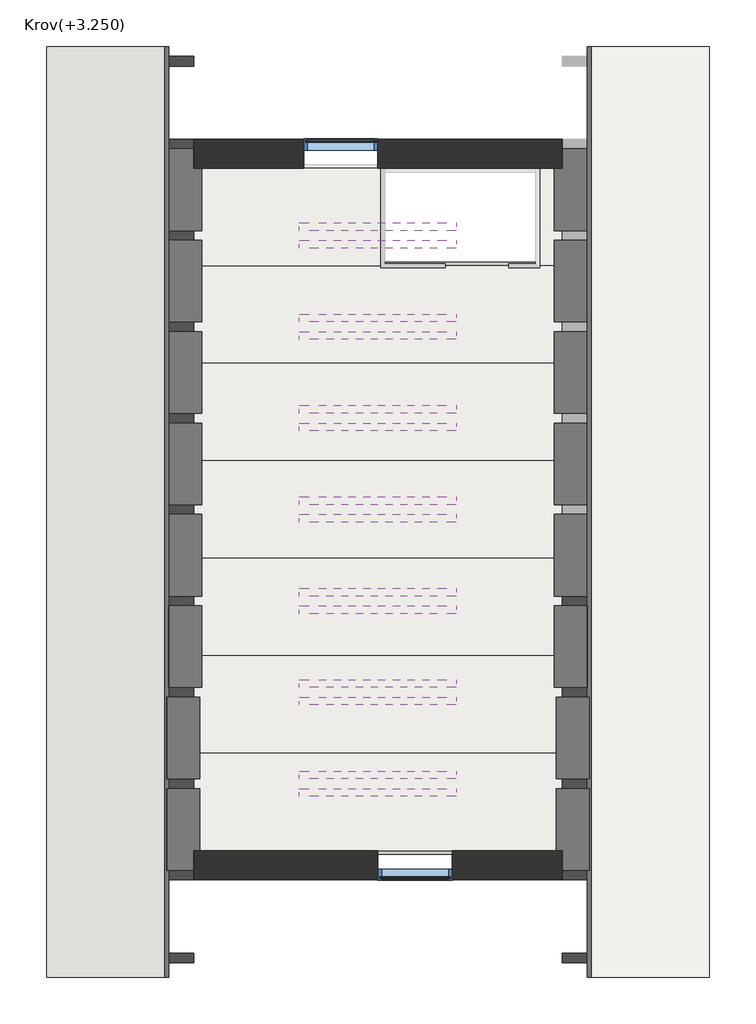
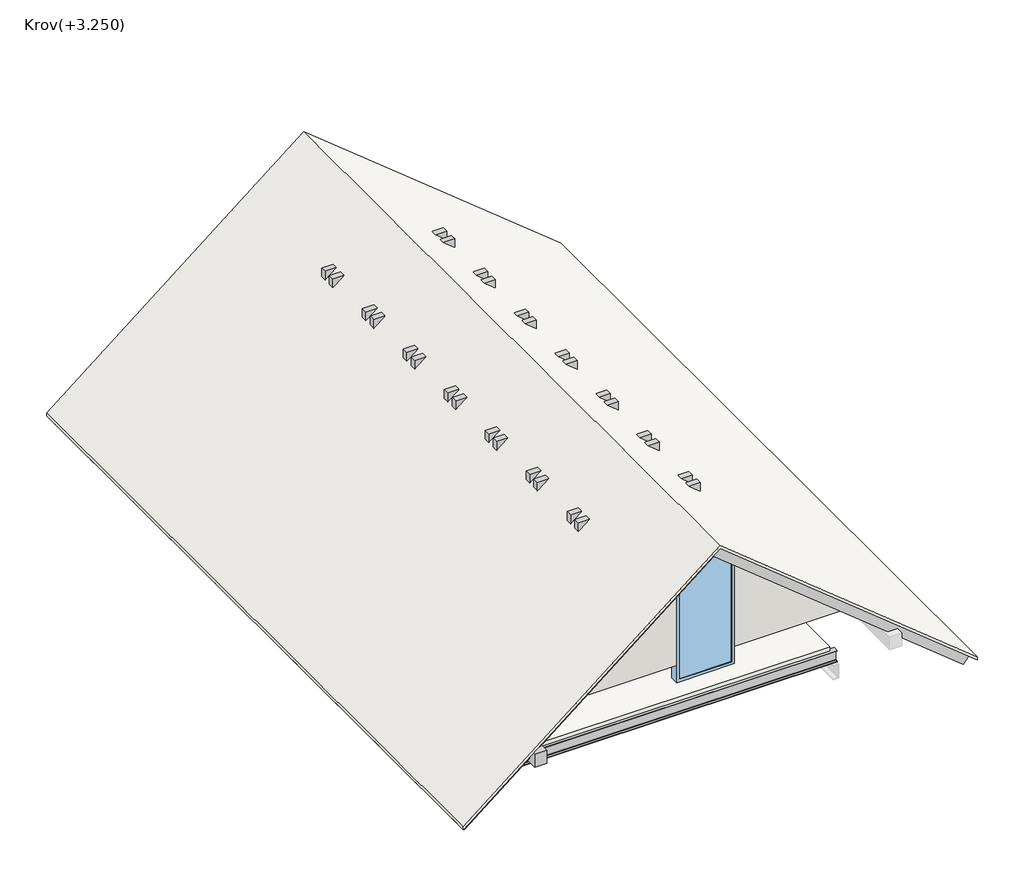
# One storey, part 1 of 2: 38 beams, 9 roofs, 8 slabs, 2 walls, 2 windows, 1 member.
"""IFC4 building model written with IfcOpenShell, lengths in millimetres."""

import ifcopenshell
import ifcopenshell.guid

model = None  # the IFC model being written
_history = None  # IfcOwnerHistory: only IFC2X3 demands one
_inside = {}  # id of a spatial element -> (the spatial element, [elements in it])
_under = {}  # id of a project, library or spatial element -> (it, [spatial elements below it])
_declared = {}  # id of a project -> (the project, [libraries it declares])
_typed = {}  # id of a type object -> (the type object, [elements of that type])
_made_of = {}  # id of a material, layer set ... -> (it, [elements and type objects made of it])


def new_model(schema):
    """Start an empty IFC model of exactly this schema.

    Asked for "IFC4X3", IfcOpenShell would pick the latest addendum, in which some entities
    have other attributes; the version numbers below select the first issue.
    IFC2X3 requires an IfcOwnerHistory on every rooted entity: one is made here for all.
    """
    global model, _history
    if schema == "IFC4X3":
        model = ifcopenshell.file(schema_version=(4, 3, 0, 0))
    else:
        model = ifcopenshell.file(schema=schema)
    _inside.clear()
    _under.clear()
    _declared.clear()
    _typed.clear()
    _made_of.clear()
    _history = None
    if model.schema == "IFC2X3":
        org = make("IfcOrganization", Name="unknown")
        user = make(
            "IfcPersonAndOrganization",
            ThePerson=make("IfcPerson", FamilyName="unknown"),
            TheOrganization=org,
        )
        app = make(
            "IfcApplication",
            ApplicationDeveloper=org,
            Version="unknown",
            ApplicationFullName="unknown",
            ApplicationIdentifier="unknown",
        )
        _history = make(
            "IfcOwnerHistory",
            OwningUser=user,
            OwningApplication=app,
            ChangeAction="ADDED",
            CreationDate=0,
        )
    return model


def make(cls, **values):
    """One entity of the class cls with the attributes given. An attribute that is None is left unset."""
    return model.create_entity(
        cls, **{name: value for name, value in values.items() if value is not None}
    )


def rooted(cls, **values):
    """An entity with a GlobalId (a new one), such as an element, a storey or a relation."""
    return make(cls, GlobalId=ifcopenshell.guid.new(), OwnerHistory=_history, **values)


def si_unit(unit_type, name, prefix=None):
    """IfcSIUnit, for example si_unit("LENGTHUNIT", "METRE", prefix="MILLI")."""
    return make("IfcSIUnit", UnitType=unit_type, Prefix=prefix, Name=name)


def assignment(units):
    """IfcUnitAssignment: the units of a project."""
    return None if units is None else make("IfcUnitAssignment", Units=units)


def point(xyz):
    """IfcCartesianPoint."""
    return None if xyz is None else make("IfcCartesianPoint", Coordinates=xyz)


def direction(xyz):
    """IfcDirection."""
    return None if xyz is None else make("IfcDirection", DirectionRatios=xyz)


def frame(location, z_axis=None, x_axis=None):
    """IfcAxis2Placement3D, a coordinate frame: its origin and axes. An axis left out is left unset."""
    return make(
        "IfcAxis2Placement3D",
        Location=point(location),
        Axis=direction(z_axis),
        RefDirection=direction(x_axis),
    )


def frame_2d(location, x_axis=None):
    """IfcAxis2Placement2D, a coordinate frame in the plane: its origin and x axis."""
    return make(
        "IfcAxis2Placement2D", Location=point(location), RefDirection=direction(x_axis)
    )


def origin():
    """The frame at (0, 0, 0) with its axes left unset."""
    return frame((0.0, 0.0, 0.0))


def place(relative_to, where):
    """IfcLocalPlacement: puts the frame where relative to a parent placement (None: the world)."""
    return make(
        "IfcLocalPlacement", PlacementRelTo=relative_to, RelativePlacement=where
    )


def context(
    kind, dimensions, precision=None, world=None, true_north=None, identifier=None
):
    """IfcGeometricRepresentationContext, for example the 3D "Model" context."""
    return make(
        "IfcGeometricRepresentationContext",
        ContextIdentifier=identifier,
        ContextType=kind,
        CoordinateSpaceDimension=dimensions,
        Precision=precision,
        WorldCoordinateSystem=world,
        TrueNorth=true_north,
    )


def project(units=None, contexts=None):
    """IfcProject with its units and contexts."""
    return rooted(
        "IfcProject",
        Name="project",
        RepresentationContexts=contexts,
        UnitsInContext=assignment(units),
    )


def spatial(cls, under=None, at=None, **own):
    """A site, building, storey or space (cls), placed at a placement, below another one or the project."""
    s = rooted(cls, ObjectPlacement=at, **own)
    if under is not None:
        _under.setdefault(under.id(), (under, []))[1].append(s)
    return s


def polyline(points):
    """IfcPolyline through the points."""
    return make("IfcPolyline", Points=[point(p) for p in points])


def circle_curve(where, radius):
    """IfcCircle in the frame where."""
    return make("IfcCircle", Position=where, Radius=radius)


def trimmed(basis, trim1, trim2, sense, master):
    """IfcTrimmedCurve: the piece of a basis curve between two trims."""
    return make(
        "IfcTrimmedCurve",
        BasisCurve=basis,
        Trim1=trim1,
        Trim2=trim2,
        SenseAgreement=sense,
        MasterRepresentation=master,
    )


def segment(curve, same_sense, transition):
    """IfcCompositeCurveSegment."""
    return make(
        "IfcCompositeCurveSegment",
        Transition=transition,
        SameSense=same_sense,
        ParentCurve=curve,
    )


def composite_curve(segments, self_intersect=None):
    """IfcCompositeCurve: segments joined end to end."""
    return make("IfcCompositeCurve", Segments=segments, SelfIntersect=self_intersect)


def outline(outer, holes=None, kind="AREA"):
    """IfcArbitraryClosedProfileDef: a profile drawn as a closed curve; with holes, ...WithVoids."""
    if holes is None:
        return make("IfcArbitraryClosedProfileDef", ProfileType=kind, OuterCurve=outer)
    return make(
        "IfcArbitraryProfileDefWithVoids",
        ProfileType=kind,
        OuterCurve=outer,
        InnerCurves=holes,
    )


def extrude(swept, where, along, depth):
    """IfcExtrudedAreaSolid: the profile swept, set in the frame where, extruded along a direction by depth."""
    return make(
        "IfcExtrudedAreaSolid",
        SweptArea=swept,
        Position=where,
        ExtrudedDirection=direction(along),
        Depth=depth,
    )


def faces_of(points, faces, orient=None, outer=None):
    """IfcFace entities. A face is a list of loops; a loop is a list of indices into points, from 0.

    orient and outer hold one flag for each loop. By default every Orientation is true, the
    first loop of a face is its IfcFaceOuterBound and the others are IfcFaceBound.
    """
    made = []
    for i, loops in enumerate(faces):
        bounds = []
        for j, loop in enumerate(loops):
            is_outer = j == 0 if outer is None else outer[i][j]
            bounds.append(
                make(
                    "IfcFaceOuterBound" if is_outer else "IfcFaceBound",
                    Bound=make("IfcPolyLoop", Polygon=[points[k] for k in loop]),
                    Orientation=True if orient is None else orient[i][j],
                )
            )
        made.append(make("IfcFace", Bounds=bounds))
    return made


def faceted_brep(points, faces, orient=None, outer=None, voids=None):
    """IfcFacetedBrep: a solid bounded by flat faces; with voids (closed shells), ...WithVoids."""
    shared = [point(p) for p in points]
    hull = make("IfcClosedShell", CfsFaces=faces_of(shared, faces, orient, outer))
    if voids is None:
        return make("IfcFacetedBrep", Outer=hull)
    return make(
        "IfcFacetedBrepWithVoids",
        Outer=hull,
        Voids=[
            make(cls, CfsFaces=faces_of(shared, fs, o, b)) for cls, fs, o, b in voids
        ],
    )


def shape(context_of_items, identifier, shape_type, items):
    """IfcShapeRepresentation: the items that make up one representation, for example the "Body"."""
    return make(
        "IfcShapeRepresentation",
        ContextOfItems=context_of_items,
        RepresentationIdentifier=identifier,
        RepresentationType=shape_type,
        Items=items,
    )


def source(mapping_origin, context_of_items, identifier, shape_type, items):
    """IfcRepresentationMap: a shape defined once, which mapped items show again and again."""
    return make(
        "IfcRepresentationMap",
        MappingOrigin=mapping_origin,
        MappedRepresentation=shape(context_of_items, identifier, shape_type, items),
    )


def transform(
    local_origin,
    x_axis=None,
    y_axis=None,
    z_axis=None,
    scale=None,
    scale2=None,
    scale3=None,
    uniform=True,
):
    """IfcCartesianTransformationOperator3D, or its non-uniform kind. x_axis, y_axis, z_axis: its Axis1, 2, 3."""
    if uniform:
        return make(
            "IfcCartesianTransformationOperator3D",
            Axis1=direction(x_axis),
            Axis2=direction(y_axis),
            LocalOrigin=point(local_origin),
            Scale=scale,
            Axis3=direction(z_axis),
        )
    return make(
        "IfcCartesianTransformationOperator3DnonUniform",
        Axis1=direction(x_axis),
        Axis2=direction(y_axis),
        LocalOrigin=point(local_origin),
        Scale=scale,
        Axis3=direction(z_axis),
        Scale2=scale2,
        Scale3=scale3,
    )


def mapped(mapping_source, mapping_target):
    """IfcMappedItem: shows the shape of a source again, moved by a transform."""
    return make(
        "IfcMappedItem", MappingSource=mapping_source, MappingTarget=mapping_target
    )


def made_of(thing, what):
    """Note that an element or type object is made of a material, layer set ...; save() writes the relation."""
    if what is not None:
        _made_of.setdefault(what.id(), (what, []))[1].append(thing)
    return thing


def element(
    cls,
    number,
    at=None,
    inside=None,
    cuts=None,
    type_object=None,
    material=None,
    context=None,
    identifier="Body",
    shape_type=None,
    held_by="IfcProductDefinitionShape",
    body=None,
    shapes=None,
    **own,
):
    """One element of the class cls, such as IfcWall. Its Tag is "e" and its number.

    at: its placement. inside: the storey or other place that contains it. cuts: it is an
    opening in that element (IfcRelVoidsElement). A single representation is given by context,
    identifier, shape_type and body (its items); several are given by shapes. held_by: the class
    of the entity that holds the representations. save() writes the other relations.
    """
    e = rooted(cls, Tag="e%d" % number, ObjectPlacement=at, **own)
    if body is not None:
        shapes = [shape(context, identifier, shape_type, body)]
    if shapes is not None:
        e.Representation = make(held_by, Representations=shapes)
    if inside is not None:
        _inside.setdefault(inside.id(), (inside, []))[1].append(e)
    if cuts is not None:
        rooted(
            "IfcRelVoidsElement", RelatingBuildingElement=cuts, RelatedOpeningElement=e
        )
    if type_object is not None:
        _typed.setdefault(type_object.id(), (type_object, []))[1].append(e)
    return made_of(e, material)


def aggregate(whole, parts):
    """IfcRelAggregates: a whole, such as a stair, and the parts it consists of."""
    return rooted("IfcRelAggregates", RelatingObject=whole, RelatedObjects=parts)


def save(model, path):
    """Write the relations noted so far, then the file.

    IfcRelAggregates (storeys below a building ...), IfcRelContainedInSpatialStructure (elements
    in a storey), IfcRelDefinesByType, IfcRelAssociatesMaterial and IfcRelDeclares: one each for
    every whole, place, type object, material and project.
    """
    for whole, parts in _under.values():
        aggregate(whole, parts)
    for where, things in _inside.values():
        rooted(
            "IfcRelContainedInSpatialStructure",
            RelatedElements=things,
            RelatingStructure=where,
        )
    for kind, things in _typed.values():
        rooted("IfcRelDefinesByType", RelatedObjects=things, RelatingType=kind)
    for what, things in _made_of.values():
        rooted("IfcRelAssociatesMaterial", RelatedObjects=things, RelatingMaterial=what)
    for by, libraries in _declared.values():
        rooted("IfcRelDeclares", RelatingContext=by, RelatedDefinitions=libraries)
    model.write(path)


def beam_160x180mm_fb8ce440(model_context):
    return source(origin(), model_context, "Body", "SweptSolid", [
        extrude(outline(polyline([(4750.0, 80.0), (4750.0, -80.0), (-4750.0, -80.0), (-4750.0, 80.0), (4750.0, 80.0)])), frame((0.0, 0.0, -90.0), z_axis=(0.0, 0.0, 1.0), x_axis=(1.0, 0.0, 0.0)), (0.0, 0.0, 1.0), 180.0),
    ])


def i_i160_f0ce82e1(model_context):
    return source(origin(), model_context, "Body", "SweptSolid", [
        extrude(outline(composite_curve([segment(polyline([(-37.0, 80.0), (37.0, 80.0), (37.0, 76.3951649)]), True, "CONTINUOUS"), segment(trimmed(circle_curve(frame_2d((33.2, 76.3951649)), 3.8), [point((37.0, 76.3951649))], [point((33.7268874, 72.6318698))], False, "CARTESIAN"), True, "CONTINUOUS"), segment(polyline([(33.7268874, 72.6318698), (8.5764762, 69.1106379)]), True, "CONTINUOUS"), segment(trimmed(circle_curve(frame_2d((9.45, 62.8714908)), 6.3), [point((8.5764762, 69.1106379))], [point((3.15, 62.8714908))], True, "CARTESIAN"), True, "CONTINUOUS"), segment(polyline([(3.15, 62.8714908), (3.15, -62.8714908)]), True, "CONTINUOUS"), segment(trimmed(circle_curve(frame_2d((9.45, -62.8714908)), 6.3), [point((3.15, -62.8714908))], [point((8.5764762, -69.1106379))], True, "CARTESIAN"), True, "CONTINUOUS"), segment(polyline([(8.5764762, -69.1106379), (33.7268874, -72.6318698)]), True, "CONTINUOUS"), segment(trimmed(circle_curve(frame_2d((33.2, -76.3951649)), 3.8), [point((33.7268874, -72.6318698))], [point((37.0, -76.3951649))], False, "CARTESIAN"), True, "CONTINUOUS"), segment(polyline([(37.0, -76.3951649), (37.0, -80.0), (-37.0, -80.0), (-37.0, -76.3951649)]), True, "CONTINUOUS"), segment(trimmed(circle_curve(frame_2d((-33.2, -76.3951649)), 3.8), [point((-37.0, -76.3951649))], [point((-33.7268874, -72.6318698))], False, "CARTESIAN"), True, "CONTINUOUS"), segment(polyline([(-33.7268874, -72.6318698), (-8.5764762, -69.1106379)]), True, "CONTINUOUS"), segment(trimmed(circle_curve(frame_2d((-9.45, -62.8714908)), 6.3), [point((-8.5764762, -69.1106379))], [point((-3.15, -62.8714908))], True, "CARTESIAN"), True, "CONTINUOUS"), segment(polyline([(-3.15, -62.8714908), (-3.15, 62.8714908)]), True, "CONTINUOUS"), segment(trimmed(circle_curve(frame_2d((-9.45, 62.8714908)), 6.3), [point((-3.15, 62.8714908))], [point((-8.5764762, 69.1106379))], True, "CARTESIAN"), True, "CONTINUOUS"), segment(polyline([(-8.5764762, 69.1106379), (-33.7268874, 72.6318698)]), True, "CONTINUOUS"), segment(trimmed(circle_curve(frame_2d((-33.2, 76.3951649)), 3.8), [point((-33.7268874, 72.6318698))], [point((-37.0, 76.3951649))], False, "CARTESIAN"), True, "CONTINUOUS"), segment(polyline([(-37.0, 76.3951649), (-37.0, 80.0)]), True, "CONTINUOUS")], self_intersect=False)), frame((-2875.0, 0.0, 0.0), z_axis=(1.0, 0.0, 0.0), x_axis=(0.0, 1.0, 0.0)), (0.0, 0.0, 1.0), 4550.0),
    ])


def i_i160_c2d888a8(model_context):
    return source(origin(), model_context, "Body", "SweptSolid", [
        extrude(outline(composite_curve([segment(polyline([(37.0, 80.0), (37.0, 76.3951649)]), True, "CONTINUOUS"), segment(trimmed(circle_curve(frame_2d((33.2, 76.3951649)), 3.8), [point((37.0, 76.3951649))], [point((33.7268874, 72.6318698))], False, "CARTESIAN"), True, "CONTINUOUS"), segment(polyline([(33.7268874, 72.6318698), (8.5764762, 69.1106379)]), True, "CONTINUOUS"), segment(trimmed(circle_curve(frame_2d((9.45, 62.8714908)), 6.3), [point((8.5764762, 69.1106379))], [point((3.15, 62.8714908))], True, "CARTESIAN"), True, "CONTINUOUS"), segment(polyline([(3.15, 62.8714908), (3.15, -62.8714908)]), True, "CONTINUOUS"), segment(trimmed(circle_curve(frame_2d((9.45, -62.8714908)), 6.3), [point((3.15, -62.8714908))], [point((8.5764762, -69.1106379))], True, "CARTESIAN"), True, "CONTINUOUS"), segment(polyline([(8.5764762, -69.1106379), (33.7268874, -72.6318698)]), True, "CONTINUOUS"), segment(trimmed(circle_curve(frame_2d((33.2, -76.3951649)), 3.8), [point((33.7268874, -72.6318698))], [point((37.0, -76.3951649))], False, "CARTESIAN"), True, "CONTINUOUS"), segment(polyline([(37.0, -76.3951649), (37.0, -80.0), (-37.0, -80.0), (-37.0, -76.3951649)]), True, "CONTINUOUS"), segment(trimmed(circle_curve(frame_2d((-33.2, -76.3951649)), 3.8), [point((-37.0, -76.3951649))], [point((-33.7268874, -72.6318698))], False, "CARTESIAN"), True, "CONTINUOUS"), segment(polyline([(-33.7268874, -72.6318698), (-8.5764762, -69.1106379)]), True, "CONTINUOUS"), segment(trimmed(circle_curve(frame_2d((-9.45, -62.8714908)), 6.3), [point((-8.5764762, -69.1106379))], [point((-3.15, -62.8714908))], True, "CARTESIAN"), True, "CONTINUOUS"), segment(polyline([(-3.15, -62.8714908), (-3.15, 62.8714908)]), True, "CONTINUOUS"), segment(trimmed(circle_curve(frame_2d((-9.45, 62.8714908)), 6.3), [point((-3.15, 62.8714908))], [point((-8.5764762, 69.1106379))], True, "CARTESIAN"), True, "CONTINUOUS"), segment(polyline([(-8.5764762, 69.1106379), (-33.7268874, 72.6318698)]), True, "CONTINUOUS"), segment(trimmed(circle_curve(frame_2d((-33.2, 76.3951649)), 3.8), [point((-33.7268874, 72.6318698))], [point((-37.0, 76.3951649))], False, "CARTESIAN"), True, "CONTINUOUS"), segment(polyline([(-37.0, 76.3951649), (-37.0, 80.0), (37.0, 80.0)]), True, "CONTINUOUS")], self_intersect=False)), frame((-2875.0, 0.0, 0.0), z_axis=(1.0, 0.0, 0.0), x_axis=(0.0, 1.0, 0.0)), (0.0, 0.0, 1.0), 4550.0),
    ])


def u_u200_d5037ab1(model_context):
    return source(origin(), model_context, "Body", "SweptSolid", [
        extrude(outline(composite_curve([segment(polyline([(20.1, 100.0), (20.1, -100.0), (-54.9, -100.0), (-54.9, -97.0369668)]), True, "CONTINUOUS"), segment(trimmed(circle_curve(frame_2d((-48.9, -97.0369668)), 6.0), [point((-54.9, -97.0369668))], [point((-49.378062, -91.0560424))], False, "CARTESIAN"), True, "CONTINUOUS"), segment(polyline([(-49.378062, -91.0560424), (1.0162855, -87.0279656)]), True, "CONTINUOUS"), segment(trimmed(circle_curve(frame_2d((0.1, -75.5645272)), 11.5), [point((1.0162855, -87.0279656))], [point((11.6, -75.5645272))], True, "CARTESIAN"), True, "CONTINUOUS"), segment(polyline([(11.6, -75.5645272), (11.6, 75.5645272)]), True, "CONTINUOUS"), segment(trimmed(circle_curve(frame_2d((0.1, 75.5645272)), 11.5), [point((11.6, 75.5645272))], [point((1.0162855, 87.0279656))], True, "CARTESIAN"), True, "CONTINUOUS"), segment(polyline([(1.0162855, 87.0279656), (-49.378062, 91.0560424)]), True, "CONTINUOUS"), segment(trimmed(circle_curve(frame_2d((-48.9, 97.0369668)), 6.0), [point((-49.378062, 91.0560424))], [point((-54.9, 97.0369668))], False, "CARTESIAN"), True, "CONTINUOUS"), segment(polyline([(-54.9, 97.0369668), (-54.9, 100.0), (20.1, 100.0)]), True, "CONTINUOUS")], self_intersect=False)), frame((-3575.0, 0.0, 0.0), z_axis=(1.0, 0.0, 0.0), x_axis=(0.0, 1.0, 0.0)), (0.0, 0.0, 1.0), 7150.0),
    ])


def window_d32373dc(model_context):
    return source(origin(), model_context, "Body", "SolidModel", [
        faceted_brep([(-457.15, -38.08125, 157.45), (304.75, -38.08125, 157.45), (304.75, -152.3622, 157.45), (-457.15, -152.3622, 157.45), (-420.6248, -111.10625, 193.9752), (268.2248, -111.10625, 193.9752), (268.2248, -38.08125, 193.9752), (-420.6248, -38.08125, 193.9752), (-442.8498, -141.2878, 171.7502), (290.4498, -141.2878, 171.7502), (290.4498, -111.10625, 171.7502), (-442.8498, -111.10625, 171.7502), (-420.6248, -152.3622, 193.9752), (268.2248, -152.3622, 193.9752), (268.2248, -141.2878, 193.9752), (-420.6248, -141.2878, 193.9752), (304.75, -38.08125, 1822.305752), (304.75, -152.3622, 1822.305752), (268.2248, -111.10625, 1804.8684723), (268.2248, -38.08125, 1804.8684723), (290.4498, -141.2878, 1815.4787781), (290.4498, -111.10625, 1815.4787781), (268.2248, -152.3622, 1804.8684723), (268.2248, -141.2878, 1804.8684723), (-457.15, -38.08125, 2438.4), (-457.15, -152.3622, 2438.4), (-420.6248, -111.10625, 2361.8920664), (-420.6248, -38.08125, 2361.8920664), (-442.8498, -141.2878, 2408.4459203), (-442.8498, -111.10625, 2408.4459203), (-420.6248, -152.3622, 2361.8920664), (-420.6248, -141.2878, 2361.8920664)], [[[0, 1, 2, 3]], [[4, 5, 6, 7]], [[8, 9, 10, 11]], [[12, 13, 14, 15]], [[1, 16, 17, 2]], [[5, 18, 19, 6]], [[9, 20, 21, 10]], [[13, 22, 23, 14]], [[24, 0, 3, 25]], [[26, 4, 7, 27]], [[28, 8, 11, 29]], [[30, 12, 15, 31]], [[16, 24, 25, 17]], [[16, 1, 0, 24], [27, 7, 6, 19]], [[18, 26, 27, 19]], [[29, 11, 10, 21], [18, 5, 4, 26]], [[20, 28, 29, 21]], [[20, 9, 8, 28], [31, 15, 14, 23]], [[22, 30, 31, 23]], [[25, 3, 2, 17], [22, 13, 12, 30]]]),
        extrude(outline(polyline([(1813.9690832, 287.2875), (2401.8219719, -439.6875), (174.9125, -439.6875), (174.9125, 287.2875), (1813.9690832, 287.2875)])), frame((0.0, -123.03155, 0.0), z_axis=(0.0, 1.0, 0.0), x_axis=(0.0, 0.0, 1.0)), (0.0, 0.0, 1.0), 5.55625),
        extrude(outline(polyline([(1813.9690832, 287.2875), (2401.8219719, -439.6875), (174.9125, -439.6875), (174.9125, 287.2875), (1813.9690832, 287.2875)])), frame((0.0, -141.2878, 0.0), z_axis=(0.0, 1.0, 0.0), x_axis=(0.0, 0.0, 1.0)), (0.0, 0.0, 1.0), 5.55625),
    ])


model = new_model("IFC4")

# Units and contexts
model_context = context("Model", 3, world=origin())
ifc_project = project(units=[si_unit("LENGTHUNIT", "METRE", prefix="MILLI")], contexts=[model_context])

# Site, building, storey
site = spatial("IfcSite", under=ifc_project)
building = spatial("IfcBuilding", under=site)
storey = spatial("IfcBuildingStorey", under=building, Name="Krov(+3.250)", Elevation=3020.0)

# Beams
placement = place(None, origin())
element("IfcBeam", 1, ObjectType="100x160mm", at=placement, inside=storey, context=model_context, shape_type="SweptSolid", body=[
    extrude(outline(polyline([(5750.0447397, -1132.3557592), (5955.8, -1132.3557592), (3206.8, -4532.3557592), (3082.3803377, -4431.7588029), (5750.0447397, -1132.3557592)])), frame((0.0, -273.9733986, 0.0), z_axis=(0.0, 1.0, 0.0), x_axis=(0.0, 0.0, 1.0)), (0.0, 0.0, 1.0), 100.0),
])
element("IfcBeam", 2, ObjectType="100x160mm", at=placement, inside=storey, context=model_context, shape_type="SweptSolid", body=[
    extrude(outline(polyline([(5750.0447397, -1132.3557592), (3082.3803377, 2167.0472844), (3206.8, 2267.6442408), (5955.8, -1132.3557592), (5750.0447397, -1132.3557592)])), frame((0.0, -273.9733986, 0.0), z_axis=(0.0, 1.0, 0.0), x_axis=(0.0, 0.0, 1.0)), (0.0, 0.0, 1.0), 100.0),
])
element("IfcBeam", 3, ObjectType="100x160mm", at=placement, inside=storey, context=model_context, shape_type="SweptSolid", body=[
    extrude(outline(polyline([(5750.0447397, -1132.3557592), (5955.8, -1132.3557592), (3206.8, -4532.3557592), (3082.3803377, -4431.7588029), (5750.0447397, -1132.3557592)])), frame((0.0, 663.5266014, 0.0), z_axis=(0.0, 1.0, 0.0), x_axis=(0.0, 0.0, 1.0)), (0.0, 0.0, 1.0), 100.0),
])
element("IfcBeam", 4, ObjectType="100x160mm", at=placement, inside=storey, context=model_context, shape_type="SweptSolid", body=[
    extrude(outline(polyline([(5750.0447397, -1132.3557592), (5955.8, -1132.3557592), (3206.8, -4532.3557592), (3082.3803377, -4431.7588029), (5750.0447397, -1132.3557592)])), frame((0.0, 1601.0266014, 0.0), z_axis=(0.0, 1.0, 0.0), x_axis=(0.0, 0.0, 1.0)), (0.0, 0.0, 1.0), 100.0),
])
element("IfcBeam", 5, ObjectType="100x160mm", at=placement, inside=storey, context=model_context, shape_type="SweptSolid", body=[
    extrude(outline(polyline([(5750.0447397, -1132.3557592), (5955.8, -1132.3557592), (3206.8, -4532.3557592), (3082.3803377, -4431.7588029), (5750.0447397, -1132.3557592)])), frame((0.0, 2538.5266014, 0.0), z_axis=(0.0, 1.0, 0.0), x_axis=(0.0, 0.0, 1.0)), (0.0, 0.0, 1.0), 100.0),
])
element("IfcBeam", 6, ObjectType="100x160mm", at=placement, inside=storey, context=model_context, shape_type="SweptSolid", body=[
    extrude(outline(polyline([(5750.0447397, -1132.3557592), (5955.8, -1132.3557592), (3206.8, -4532.3557592), (3082.3803377, -4431.7588029), (5750.0447397, -1132.3557592)])), frame((0.0, 3476.0266014, 0.0), z_axis=(0.0, 1.0, 0.0), x_axis=(0.0, 0.0, 1.0)), (0.0, 0.0, 1.0), 100.0),
])
element("IfcBeam", 7, ObjectType="100x160mm", at=placement, inside=storey, context=model_context, shape_type="SweptSolid", body=[
    extrude(outline(polyline([(5750.0447397, -1132.3557592), (5955.8, -1132.3557592), (3206.8, -4532.3557592), (3082.3803377, -4431.7588029), (5750.0447397, -1132.3557592)])), frame((0.0, 4413.5266014, 0.0), z_axis=(0.0, 1.0, 0.0), x_axis=(0.0, 0.0, 1.0)), (0.0, 0.0, 1.0), 100.0),
])
element("IfcBeam", 8, ObjectType="100x160mm", at=placement, inside=storey, context=model_context, shape_type="SweptSolid", body=[
    extrude(outline(polyline([(5750.0447397, -1132.3557592), (5955.8, -1132.3557592), (3206.8, -4532.3557592), (3082.3803377, -4431.7588029), (5750.0447397, -1132.3557592)])), frame((0.0, 5263.5266014, 0.0), z_axis=(0.0, 1.0, 0.0), x_axis=(0.0, 0.0, 1.0)), (0.0, 0.0, 1.0), 100.0),
])
element("IfcBeam", 9, ObjectType="100x160mm", at=placement, inside=storey, context=model_context, shape_type="SweptSolid", body=[
    extrude(outline(polyline([(5750.0447397, -1132.3557592), (5955.8, -1132.3557592), (3206.8, -4532.3557592), (3082.3803377, -4431.7588029), (5750.0447397, -1132.3557592)])), frame((0.0, -1211.4733986, 0.0), z_axis=(0.0, 1.0, 0.0), x_axis=(0.0, 0.0, 1.0)), (0.0, 0.0, 1.0), 100.0),
])
element("IfcBeam", 10, ObjectType="100x160mm", at=placement, inside=storey, context=model_context, shape_type="SweptSolid", body=[
    extrude(outline(polyline([(5750.0447397, -1132.3557592), (3082.3803377, 2167.0472844), (3206.8, 2267.6442408), (5955.8, -1132.3557592), (5750.0447397, -1132.3557592)])), frame((0.0, -1211.4733986, 0.0), z_axis=(0.0, 1.0, 0.0), x_axis=(0.0, 0.0, 1.0)), (0.0, 0.0, 1.0), 100.0),
])
element("IfcBeam", 11, ObjectType="100x160mm", at=placement, inside=storey, context=model_context, shape_type="SweptSolid", body=[
    extrude(outline(polyline([(5750.0447397, -1132.3557592), (5955.8, -1132.3557592), (3206.8, -4532.3557592), (3082.3803377, -4431.7588029), (5750.0447397, -1132.3557592)])), frame((0.0, -2148.9733986, 0.0), z_axis=(0.0, 1.0, 0.0), x_axis=(0.0, 0.0, 1.0)), (0.0, 0.0, 1.0), 100.0),
])
element("IfcBeam", 12, ObjectType="100x160mm", at=placement, inside=storey, context=model_context, shape_type="SweptSolid", body=[
    extrude(outline(polyline([(5750.0447397, -1132.3557592), (3082.3803377, 2167.0472844), (3206.8, 2267.6442408), (5955.8, -1132.3557592), (5750.0447397, -1132.3557592)])), frame((0.0, -2148.9733986, 0.0), z_axis=(0.0, 1.0, 0.0), x_axis=(0.0, 0.0, 1.0)), (0.0, 0.0, 1.0), 100.0),
])
element("IfcBeam", 13, ObjectType="100x160mm", at=placement, inside=storey, context=model_context, shape_type="SweptSolid", body=[
    extrude(outline(polyline([(5750.0447397, -1132.3557592), (5955.8, -1132.3557592), (3206.8, -4532.3557592), (3082.3803377, -4431.7588029), (5750.0447397, -1132.3557592)])), frame((0.0, -3086.4733986, 0.0), z_axis=(0.0, 1.0, 0.0), x_axis=(0.0, 0.0, 1.0)), (0.0, 0.0, 1.0), 100.0),
])
element("IfcBeam", 14, ObjectType="100x160mm", at=placement, inside=storey, context=model_context, shape_type="SweptSolid", body=[
    extrude(outline(polyline([(5750.0447397, -1132.3557592), (3082.3803377, 2167.0472844), (3206.8, 2267.6442408), (5955.8, -1132.3557592), (5750.0447397, -1132.3557592)])), frame((0.0, -3086.4733986, 0.0), z_axis=(0.0, 1.0, 0.0), x_axis=(0.0, 0.0, 1.0)), (0.0, 0.0, 1.0), 100.0),
])
element("IfcBeam", 15, ObjectType="100x160mm", at=placement, inside=storey, context=model_context, shape_type="SweptSolid", body=[
    extrude(outline(polyline([(5750.0447397, -1132.3557592), (5955.8, -1132.3557592), (3206.8, -4532.3557592), (3082.3803377, -4431.7588029), (5750.0447397, -1132.3557592)])), frame((0.0, -3936.4733986, 0.0), z_axis=(0.0, 1.0, 0.0), x_axis=(0.0, 0.0, 1.0)), (0.0, 0.0, 1.0), 100.0),
])
element("IfcBeam", 16, ObjectType="100x160mm", at=placement, inside=storey, context=model_context, shape_type="SweptSolid", body=[
    extrude(outline(polyline([(5750.0447397, -1132.3557592), (3082.3803377, 2167.0472844), (3206.8, 2267.6442408), (5955.8, -1132.3557592), (5750.0447397, -1132.3557592)])), frame((0.0, -3936.4733986, 0.0), z_axis=(0.0, 1.0, 0.0), x_axis=(0.0, 0.0, 1.0)), (0.0, 0.0, 1.0), 100.0),
])
beam_160x180mm_shape = beam_160x180mm_fb8ce440(model_context)
element("IfcBeam", 17, ObjectType="160x180mm", at=placement, inside=storey, context=model_context, shape_type="MappedRepresentation", body=[
    mapped(beam_160x180mm_shape, transform((-3482.3557592, 713.5266014, 3800.0), x_axis=(0.0, 1.0, 0.0), y_axis=(-1.0, 0.0, 0.0), z_axis=(0.0, 0.0, 1.0))),
])
element("IfcBeam", 18, ObjectType="80x160mm", at=placement, inside=storey, context=model_context, shape_type="SweptSolid", body=[
    extrude(outline(polyline([(-328.8267423, -93.9733986), (-328.8267423, -173.9733986), (-1938.7415439, -173.9733986), (-1938.7415439, -93.9733986), (-328.8267423, -93.9733986)])), frame((0.0, 0.0, 5305.8), z_axis=(0.0, 0.0, 1.0), x_axis=(1.0, 0.0, 0.0)), (0.0, 0.0, 1.0), 160.0),
    extrude(outline(polyline([(5465.8, -526.3171998), (5465.8, -1938.7415439), (5305.8, -1938.7415439), (5305.8, -328.8267423), (5465.8, -526.3171998)])), frame((0.0, -173.9733986, 0.0), z_axis=(0.0, 1.0, 0.0), x_axis=(0.0, 0.0, 1.0)), (0.0, 0.0, 1.0), 80.0),
    extrude(outline(polyline([(5465.8, -526.3171998), (5465.8, -1738.3943187), (5305.8, -1938.7415439), (5305.8, -328.8267423), (5465.8, -526.3171998)])), frame((0.0, -173.9733986, 0.0), z_axis=(0.0, 1.0, 0.0), x_axis=(0.0, 0.0, 1.0)), (0.0, 0.0, 1.0), 80.0),
])
element("IfcBeam", 19, ObjectType="80x160mm", at=placement, inside=storey, context=model_context, shape_type="SweptSolid", body=[
    extrude(outline(polyline([(-328.8267423, -353.9733986), (-1938.7415439, -353.9733986), (-1938.7415439, -273.9733986), (-328.8267423, -273.9733986), (-328.8267423, -353.9733986)])), frame((0.0, 0.0, 5305.8), z_axis=(0.0, 0.0, 1.0), x_axis=(1.0, 0.0, 0.0)), (0.0, 0.0, 1.0), 160.0),
    extrude(outline(polyline([(5465.8, -526.3171998), (5465.8, -1938.7415439), (5305.8, -1938.7415439), (5305.8, -328.8267423), (5465.8, -526.3171998)])), frame((0.0, -353.9733986, 0.0), z_axis=(0.0, 1.0, 0.0), x_axis=(0.0, 0.0, 1.0)), (0.0, 0.0, 1.0), 80.0),
    extrude(outline(polyline([(5465.8, -526.3171998), (5465.8, -1738.3943187), (5305.8, -1938.7415439), (5305.8, -328.8267423), (5465.8, -526.3171998)])), frame((0.0, -353.9733986, 0.0), z_axis=(0.0, 1.0, 0.0), x_axis=(0.0, 0.0, 1.0)), (0.0, 0.0, 1.0), 80.0),
])
element("IfcBeam", 20, ObjectType="80x160mm", at=placement, inside=storey, context=model_context, shape_type="SweptSolid", body=[
    extrude(outline(polyline([(-328.8267423, 843.5266014), (-328.8267423, 763.5266014), (-1938.7415439, 763.5266014), (-1938.7415439, 843.5266014), (-328.8267423, 843.5266014)])), frame((0.0, 0.0, 5305.8), z_axis=(0.0, 0.0, 1.0), x_axis=(1.0, 0.0, 0.0)), (0.0, 0.0, 1.0), 160.0),
    extrude(outline(polyline([(5465.8, -526.3171998), (5465.8, -1938.7415439), (5305.8, -1938.7415439), (5305.8, -328.8267423), (5465.8, -526.3171998)])), frame((0.0, 763.5266014, 0.0), z_axis=(0.0, 1.0, 0.0), x_axis=(0.0, 0.0, 1.0)), (0.0, 0.0, 1.0), 80.0),
    extrude(outline(polyline([(5465.8, -526.3171998), (5465.8, -1738.3943187), (5305.8, -1938.7415439), (5305.8, -328.8267423), (5465.8, -526.3171998)])), frame((0.0, 763.5266014, 0.0), z_axis=(0.0, 1.0, 0.0), x_axis=(0.0, 0.0, 1.0)), (0.0, 0.0, 1.0), 80.0),
])
element("IfcBeam", 21, ObjectType="80x160mm", at=placement, inside=storey, context=model_context, shape_type="SweptSolid", body=[
    extrude(outline(polyline([(-328.8267423, 583.5266014), (-1938.7415439, 583.5266014), (-1938.7415439, 663.5266014), (-328.8267423, 663.5266014), (-328.8267423, 583.5266014)])), frame((0.0, 0.0, 5305.8), z_axis=(0.0, 0.0, 1.0), x_axis=(1.0, 0.0, 0.0)), (0.0, 0.0, 1.0), 160.0),
    extrude(outline(polyline([(5465.8, -526.3171998), (5465.8, -1938.7415439), (5305.8, -1938.7415439), (5305.8, -328.8267423), (5465.8, -526.3171998)])), frame((0.0, 583.5266014, 0.0), z_axis=(0.0, 1.0, 0.0), x_axis=(0.0, 0.0, 1.0)), (0.0, 0.0, 1.0), 80.0),
    extrude(outline(polyline([(5465.8, -526.3171998), (5465.8, -1738.3943187), (5305.8, -1938.7415439), (5305.8, -328.8267423), (5465.8, -526.3171998)])), frame((0.0, 583.5266014, 0.0), z_axis=(0.0, 1.0, 0.0), x_axis=(0.0, 0.0, 1.0)), (0.0, 0.0, 1.0), 80.0),
])
element("IfcBeam", 22, ObjectType="80x160mm", at=placement, inside=storey, context=model_context, shape_type="SweptSolid", body=[
    extrude(outline(polyline([(-328.8267423, 1781.0266014), (-328.8267423, 1701.0266014), (-1938.7415439, 1701.0266014), (-1938.7415439, 1781.0266014), (-328.8267423, 1781.0266014)])), frame((0.0, 0.0, 5305.8), z_axis=(0.0, 0.0, 1.0), x_axis=(1.0, 0.0, 0.0)), (0.0, 0.0, 1.0), 160.0),
    extrude(outline(polyline([(5465.8, -526.3171998), (5465.8, -1938.7415439), (5305.8, -1938.7415439), (5305.8, -328.8267423), (5465.8, -526.3171998)])), frame((0.0, 1701.0266014, 0.0), z_axis=(0.0, 1.0, 0.0), x_axis=(0.0, 0.0, 1.0)), (0.0, 0.0, 1.0), 80.0),
    extrude(outline(polyline([(5465.8, -526.3171998), (5465.8, -1738.3943187), (5305.8, -1938.7415439), (5305.8, -328.8267423), (5465.8, -526.3171998)])), frame((0.0, 1701.0266014, 0.0), z_axis=(0.0, 1.0, 0.0), x_axis=(0.0, 0.0, 1.0)), (0.0, 0.0, 1.0), 80.0),
])
element("IfcBeam", 23, ObjectType="80x160mm", at=placement, inside=storey, context=model_context, shape_type="SweptSolid", body=[
    extrude(outline(polyline([(-328.8267423, 1521.0266014), (-1938.7415439, 1521.0266014), (-1938.7415439, 1601.0266014), (-328.8267423, 1601.0266014), (-328.8267423, 1521.0266014)])), frame((0.0, 0.0, 5305.8), z_axis=(0.0, 0.0, 1.0), x_axis=(1.0, 0.0, 0.0)), (0.0, 0.0, 1.0), 160.0),
    extrude(outline(polyline([(5465.8, -526.3171998), (5465.8, -1938.7415439), (5305.8, -1938.7415439), (5305.8, -328.8267423), (5465.8, -526.3171998)])), frame((0.0, 1521.0266014, 0.0), z_axis=(0.0, 1.0, 0.0), x_axis=(0.0, 0.0, 1.0)), (0.0, 0.0, 1.0), 80.0),
    extrude(outline(polyline([(5465.8, -526.3171998), (5465.8, -1738.3943187), (5305.8, -1938.7415439), (5305.8, -328.8267423), (5465.8, -526.3171998)])), frame((0.0, 1521.0266014, 0.0), z_axis=(0.0, 1.0, 0.0), x_axis=(0.0, 0.0, 1.0)), (0.0, 0.0, 1.0), 80.0),
])
element("IfcBeam", 24, ObjectType="80x160mm", at=placement, inside=storey, context=model_context, shape_type="SweptSolid", body=[
    extrude(outline(polyline([(-328.8267423, 2718.5266014), (-328.8267423, 2638.5266014), (-1938.7415439, 2638.5266014), (-1938.7415439, 2718.5266014), (-328.8267423, 2718.5266014)])), frame((0.0, 0.0, 5305.8), z_axis=(0.0, 0.0, 1.0), x_axis=(1.0, 0.0, 0.0)), (0.0, 0.0, 1.0), 160.0),
    extrude(outline(polyline([(5465.8, -526.3171998), (5465.8, -1938.7415439), (5305.8, -1938.7415439), (5305.8, -328.8267423), (5465.8, -526.3171998)])), frame((0.0, 2638.5266014, 0.0), z_axis=(0.0, 1.0, 0.0), x_axis=(0.0, 0.0, 1.0)), (0.0, 0.0, 1.0), 80.0),
    extrude(outline(polyline([(5465.8, -526.3171998), (5465.8, -1738.3943187), (5305.8, -1938.7415439), (5305.8, -328.8267423), (5465.8, -526.3171998)])), frame((0.0, 2638.5266014, 0.0), z_axis=(0.0, 1.0, 0.0), x_axis=(0.0, 0.0, 1.0)), (0.0, 0.0, 1.0), 80.0),
])
element("IfcBeam", 25, ObjectType="80x160mm", at=placement, inside=storey, context=model_context, shape_type="SweptSolid", body=[
    extrude(outline(polyline([(-328.8267423, 2458.5266014), (-1938.7415439, 2458.5266014), (-1938.7415439, 2538.5266014), (-328.8267423, 2538.5266014), (-328.8267423, 2458.5266014)])), frame((0.0, 0.0, 5305.8), z_axis=(0.0, 0.0, 1.0), x_axis=(1.0, 0.0, 0.0)), (0.0, 0.0, 1.0), 160.0),
    extrude(outline(polyline([(5465.8, -526.3171998), (5465.8, -1938.7415439), (5305.8, -1938.7415439), (5305.8, -328.8267423), (5465.8, -526.3171998)])), frame((0.0, 2458.5266014, 0.0), z_axis=(0.0, 1.0, 0.0), x_axis=(0.0, 0.0, 1.0)), (0.0, 0.0, 1.0), 80.0),
    extrude(outline(polyline([(5465.8, -526.3171998), (5465.8, -1738.3943187), (5305.8, -1938.7415439), (5305.8, -328.8267423), (5465.8, -526.3171998)])), frame((0.0, 2458.5266014, 0.0), z_axis=(0.0, 1.0, 0.0), x_axis=(0.0, 0.0, 1.0)), (0.0, 0.0, 1.0), 80.0),
])
element("IfcBeam", 26, ObjectType="80x160mm", at=placement, inside=storey, context=model_context, shape_type="SweptSolid", body=[
    extrude(outline(polyline([(-328.8267423, 3656.0266014), (-328.8267423, 3576.0266014), (-1938.7415439, 3576.0266014), (-1938.7415439, 3656.0266014), (-328.8267423, 3656.0266014)])), frame((0.0, 0.0, 5305.8), z_axis=(0.0, 0.0, 1.0), x_axis=(1.0, 0.0, 0.0)), (0.0, 0.0, 1.0), 160.0),
    extrude(outline(polyline([(5465.8, -526.3171998), (5465.8, -1938.7415439), (5305.8, -1938.7415439), (5305.8, -328.8267423), (5465.8, -526.3171998)])), frame((0.0, 3576.0266014, 0.0), z_axis=(0.0, 1.0, 0.0), x_axis=(0.0, 0.0, 1.0)), (0.0, 0.0, 1.0), 80.0),
    extrude(outline(polyline([(5465.8, -526.3171998), (5465.8, -1738.3943187), (5305.8, -1938.7415439), (5305.8, -328.8267423), (5465.8, -526.3171998)])), frame((0.0, 3576.0266014, 0.0), z_axis=(0.0, 1.0, 0.0), x_axis=(0.0, 0.0, 1.0)), (0.0, 0.0, 1.0), 80.0),
])
element("IfcBeam", 27, ObjectType="80x160mm", at=placement, inside=storey, context=model_context, shape_type="SweptSolid", body=[
    extrude(outline(polyline([(-328.8267423, 3396.0266014), (-1938.7415439, 3396.0266014), (-1938.7415439, 3476.0266014), (-328.8267423, 3476.0266014), (-328.8267423, 3396.0266014)])), frame((0.0, 0.0, 5305.8), z_axis=(0.0, 0.0, 1.0), x_axis=(1.0, 0.0, 0.0)), (0.0, 0.0, 1.0), 160.0),
    extrude(outline(polyline([(5465.8, -526.3171998), (5465.8, -1938.7415439), (5305.8, -1938.7415439), (5305.8, -328.8267423), (5465.8, -526.3171998)])), frame((0.0, 3396.0266014, 0.0), z_axis=(0.0, 1.0, 0.0), x_axis=(0.0, 0.0, 1.0)), (0.0, 0.0, 1.0), 80.0),
    extrude(outline(polyline([(5465.8, -526.3171998), (5465.8, -1738.3943187), (5305.8, -1938.7415439), (5305.8, -328.8267423), (5465.8, -526.3171998)])), frame((0.0, 3396.0266014, 0.0), z_axis=(0.0, 1.0, 0.0), x_axis=(0.0, 0.0, 1.0)), (0.0, 0.0, 1.0), 80.0),
])
element("IfcBeam", 28, ObjectType="80x160mm", at=placement, inside=storey, context=model_context, shape_type="SweptSolid", body=[
    extrude(outline(polyline([(-328.8267423, -1031.4733986), (-328.8267423, -1111.4733986), (-1938.7415439, -1111.4733986), (-1938.7415439, -1031.4733986), (-328.8267423, -1031.4733986)])), frame((0.0, 0.0, 5305.8), z_axis=(0.0, 0.0, 1.0), x_axis=(1.0, 0.0, 0.0)), (0.0, 0.0, 1.0), 160.0),
    extrude(outline(polyline([(5465.8, -526.3171998), (5465.8, -1938.7415439), (5305.8, -1938.7415439), (5305.8, -328.8267423), (5465.8, -526.3171998)])), frame((0.0, -1111.4733986, 0.0), z_axis=(0.0, 1.0, 0.0), x_axis=(0.0, 0.0, 1.0)), (0.0, 0.0, 1.0), 80.0),
    extrude(outline(polyline([(5465.8, -526.3171998), (5465.8, -1738.3943187), (5305.8, -1938.7415439), (5305.8, -328.8267423), (5465.8, -526.3171998)])), frame((0.0, -1111.4733986, 0.0), z_axis=(0.0, 1.0, 0.0), x_axis=(0.0, 0.0, 1.0)), (0.0, 0.0, 1.0), 80.0),
])
element("IfcBeam", 29, ObjectType="80x160mm", at=placement, inside=storey, context=model_context, shape_type="SweptSolid", body=[
    extrude(outline(polyline([(-328.8267423, -1291.4733986), (-1938.7415439, -1291.4733986), (-1938.7415439, -1211.4733986), (-328.8267423, -1211.4733986), (-328.8267423, -1291.4733986)])), frame((0.0, 0.0, 5305.8), z_axis=(0.0, 0.0, 1.0), x_axis=(1.0, 0.0, 0.0)), (0.0, 0.0, 1.0), 160.0),
    extrude(outline(polyline([(5465.8, -526.3171998), (5465.8, -1938.7415439), (5305.8, -1938.7415439), (5305.8, -328.8267423), (5465.8, -526.3171998)])), frame((0.0, -1291.4733986, 0.0), z_axis=(0.0, 1.0, 0.0), x_axis=(0.0, 0.0, 1.0)), (0.0, 0.0, 1.0), 80.0),
    extrude(outline(polyline([(5465.8, -526.3171998), (5465.8, -1738.3943187), (5305.8, -1938.7415439), (5305.8, -328.8267423), (5465.8, -526.3171998)])), frame((0.0, -1291.4733986, 0.0), z_axis=(0.0, 1.0, 0.0), x_axis=(0.0, 0.0, 1.0)), (0.0, 0.0, 1.0), 80.0),
])
element("IfcBeam", 30, ObjectType="80x160mm", at=placement, inside=storey, context=model_context, shape_type="SweptSolid", body=[
    extrude(outline(polyline([(-328.8267423, -1968.9733986), (-328.8267423, -2048.9733986), (-1938.7415439, -2048.9733986), (-1938.7415439, -1968.9733986), (-328.8267423, -1968.9733986)])), frame((0.0, 0.0, 5305.8), z_axis=(0.0, 0.0, 1.0), x_axis=(1.0, 0.0, 0.0)), (0.0, 0.0, 1.0), 160.0),
    extrude(outline(polyline([(5465.8, -526.3171998), (5465.8, -1938.7415439), (5305.8, -1938.7415439), (5305.8, -328.8267423), (5465.8, -526.3171998)])), frame((0.0, -2048.9733986, 0.0), z_axis=(0.0, 1.0, 0.0), x_axis=(0.0, 0.0, 1.0)), (0.0, 0.0, 1.0), 80.0),
    extrude(outline(polyline([(5465.8, -526.3171998), (5465.8, -1738.3943187), (5305.8, -1938.7415439), (5305.8, -328.8267423), (5465.8, -526.3171998)])), frame((0.0, -2048.9733986, 0.0), z_axis=(0.0, 1.0, 0.0), x_axis=(0.0, 0.0, 1.0)), (0.0, 0.0, 1.0), 80.0),
])
element("IfcBeam", 31, ObjectType="80x160mm", at=placement, inside=storey, context=model_context, shape_type="SweptSolid", body=[
    extrude(outline(polyline([(-328.8267423, -2228.9733986), (-1938.7415439, -2228.9733986), (-1938.7415439, -2148.9733986), (-328.8267423, -2148.9733986), (-328.8267423, -2228.9733986)])), frame((0.0, 0.0, 5305.8), z_axis=(0.0, 0.0, 1.0), x_axis=(1.0, 0.0, 0.0)), (0.0, 0.0, 1.0), 160.0),
    extrude(outline(polyline([(5465.8, -526.3171998), (5465.8, -1938.7415439), (5305.8, -1938.7415439), (5305.8, -328.8267423), (5465.8, -526.3171998)])), frame((0.0, -2228.9733986, 0.0), z_axis=(0.0, 1.0, 0.0), x_axis=(0.0, 0.0, 1.0)), (0.0, 0.0, 1.0), 80.0),
    extrude(outline(polyline([(5465.8, -526.3171998), (5465.8, -1738.3943187), (5305.8, -1938.7415439), (5305.8, -328.8267423), (5465.8, -526.3171998)])), frame((0.0, -2228.9733986, 0.0), z_axis=(0.0, 1.0, 0.0), x_axis=(0.0, 0.0, 1.0)), (0.0, 0.0, 1.0), 80.0),
])
i_i160_shape = i_i160_f0ce82e1(model_context)
element("IfcBeam", 32, ObjectType="I : I160", at=placement, inside=storey, context=model_context, shape_type="MappedRepresentation", body=[
    mapped(i_i160_shape, transform((-532.3557592, 213.5266014, 2880.0), x_axis=(1.0, 0.0, 0.0), y_axis=(0.0, 1.0, 0.0), z_axis=(0.0, 0.0, 1.0))),
])
element("IfcBeam", 33, ObjectType="I : I160", at=placement, inside=storey, context=model_context, shape_type="MappedRepresentation", body=[
    mapped(i_i160_shape, transform((-532.3557592, 1213.5266014, 2880.0), x_axis=(1.0, 0.0, 0.0), y_axis=(0.0, 1.0, 0.0), z_axis=(0.0, 0.0, 1.0))),
])
element("IfcBeam", 34, ObjectType="I : I160", at=placement, inside=storey, context=model_context, shape_type="MappedRepresentation", body=[
    mapped(i_i160_shape, transform((-532.3557592, -1786.4733986, 2880.0), x_axis=(1.0, 0.0, 0.0), y_axis=(0.0, 1.0, 0.0), z_axis=(0.0, 0.0, 1.0))),
])
element("IfcBeam", 35, ObjectType="I : I160", at=placement, inside=storey, context=model_context, shape_type="MappedRepresentation", body=[
    mapped(i_i160_shape, transform((-532.3557592, -2786.4733986, 2880.0), x_axis=(1.0, 0.0, 0.0), y_axis=(0.0, 1.0, 0.0), z_axis=(0.0, 0.0, 1.0))),
])
i_i160_2_shape = i_i160_c2d888a8(model_context)
element("IfcBeam", 36, ObjectType="I : I160", at=placement, inside=storey, context=model_context, shape_type="MappedRepresentation", body=[
    mapped(i_i160_2_shape, transform((-532.3557592, 2213.5266014, 2880.0), x_axis=(1.0, 0.0, 0.0), y_axis=(0.0, 1.0, 0.0), z_axis=(0.0, 0.0, 1.0))),
])
element("IfcBeam", 37, ObjectType="I : I160", at=placement, inside=storey, context=model_context, shape_type="MappedRepresentation", body=[
    mapped(i_i160_2_shape, transform((-532.3557592, -786.4733986, 2880.0), x_axis=(1.0, 0.0, 0.0), y_axis=(0.0, 1.0, 0.0), z_axis=(0.0, 0.0, 1.0))),
])
element("IfcBeam", 38, ObjectType="I : I160", at=placement, inside=storey, context=model_context, shape_type="MappedRepresentation", body=[
    mapped(i_i160_2_shape, transform((-532.3557592, 3213.5266014, 2880.0), x_axis=(1.0, 0.0, 0.0), y_axis=(0.0, 1.0, 0.0), z_axis=(0.0, 0.0, 1.0))),
])

# Member
u_u200_shape = u_u200_d5037ab1(model_context)
element("IfcMember", 39, ObjectType="U : U200", at=placement, inside=storey, context=model_context, shape_type="MappedRepresentation", body=[
    mapped(u_u200_shape, transform((-3387.2557592, 713.5266014, 2699.9999999), x_axis=(0.0, 1.0, 0.0), y_axis=(-1.0, 0.0, 0.0), z_axis=(0.0, 0.0, 1.0))),
])

# Roofs
element("IfcRoof", 40, at=placement, inside=storey, context=model_context, shape_type="SweptSolid", body=[
    extrude(outline(polyline([(3950.2568961, 1367.6442408), (5971.8287822, -1132.3557592), (3950.2568961, -3632.3557592), (3676.9749179, -3632.3557592), (5698.546804, -1132.3557592), (3676.9749179, 1367.6442408), (3950.2568961, 1367.6442408)])), frame((0.0, -2986.4733986, 0.0), z_axis=(0.0, 1.0, 0.0), x_axis=(0.0, 0.0, 1.0)), (0.0, 0.0, 1.0), 837.5),
])
element("IfcRoof", 41, at=placement, inside=storey, context=model_context, shape_type="SweptSolid", body=[
    extrude(outline(polyline([(3950.2568961, 1367.6442408), (5971.8287822, -1132.3557592), (3950.2568961, -3632.3557592), (3676.9749179, -3632.3557592), (5698.546804, -1132.3557592), (3676.9749179, 1367.6442408), (3950.2568961, 1367.6442408)])), frame((0.0, -2048.9733986, 0.0), z_axis=(0.0, 1.0, 0.0), x_axis=(0.0, 0.0, 1.0)), (0.0, 0.0, 1.0), 837.5),
])
element("IfcRoof", 42, at=placement, inside=storey, context=model_context, shape_type="SweptSolid", body=[
    extrude(outline(polyline([(3934.1814856, 1367.6442408), (5955.7533717, -1132.3557592), (3934.1814856, -3632.3557592), (3660.8995074, -3632.3557592), (5682.4713935, -1132.3557592), (3660.8995074, 1367.6442408), (3934.1814856, 1367.6442408)])), frame((0.0, -1111.4733986, 0.0), z_axis=(0.0, 1.0, 0.0), x_axis=(0.0, 0.0, 1.0)), (0.0, 0.0, 1.0), 837.5),
])
element("IfcRoof", 43, at=placement, inside=storey, context=model_context, shape_type="SweptSolid", body=[
    extrude(outline(polyline([(3934.1814856, 1367.6442408), (5955.7533717, -1132.3557592), (3934.1814856, -3632.3557592), (3660.8995074, -3632.3557592), (5682.4713935, -1132.3557592), (3660.8995074, 1367.6442408), (3934.1814856, 1367.6442408)])), frame((0.0, -173.9733986, 0.0), z_axis=(0.0, 1.0, 0.0), x_axis=(0.0, 0.0, 1.0)), (0.0, 0.0, 1.0), 837.5),
])
element("IfcRoof", 44, at=placement, inside=storey, context=model_context, shape_type="SweptSolid", body=[
    extrude(outline(polyline([(3934.1814856, 1367.6442408), (5955.7533717, -1132.3557592), (3934.1814856, -3632.3557592), (3660.8995074, -3632.3557592), (5682.4713935, -1132.3557592), (3660.8995074, 1367.6442408), (3934.1814856, 1367.6442408)])), frame((0.0, 763.5266014, 0.0), z_axis=(0.0, 1.0, 0.0), x_axis=(0.0, 0.0, 1.0)), (0.0, 0.0, 1.0), 837.5),
])
element("IfcRoof", 45, at=placement, inside=storey, context=model_context, shape_type="SweptSolid", body=[
    extrude(outline(polyline([(3934.1814856, 1367.6442408), (5955.7533717, -1132.3557592), (3934.1814856, -3632.3557592), (3660.8995074, -3632.3557592), (5682.4713935, -1132.3557592), (3660.8995074, 1367.6442408), (3934.1814856, 1367.6442408)])), frame((0.0, 1701.0266014, 0.0), z_axis=(0.0, 1.0, 0.0), x_axis=(0.0, 0.0, 1.0)), (0.0, 0.0, 1.0), 837.5),
])
element("IfcRoof", 46, at=placement, inside=storey, context=model_context, shape_type="SweptSolid", body=[
    extrude(outline(polyline([(3934.1814856, 1367.6442408), (5955.7533717, -1132.3557592), (3934.1814856, -3632.3557592), (3660.8995074, -3632.3557592), (5682.4713935, -1132.3557592), (3660.8995074, 1367.6442408), (3934.1814856, 1367.6442408)])), frame((0.0, 2638.5266014, 0.0), z_axis=(0.0, 1.0, 0.0), x_axis=(0.0, 0.0, 1.0)), (0.0, 0.0, 1.0), 837.5),
])
element("IfcRoof", 47, at=placement, inside=storey, context=model_context, shape_type="SweptSolid", body=[
    extrude(outline(polyline([(3934.1814856, 1367.6442408), (5955.7533717, -1132.3557592), (3934.1814856, -3632.3557592), (3660.8995074, -3632.3557592), (5682.4713935, -1132.3557592), (3660.8995074, 1367.6442408), (3934.1814856, 1367.6442408)])), frame((0.0, 3576.0266014, 0.0), z_axis=(0.0, 1.0, 0.0), x_axis=(0.0, 0.0, 1.0)), (0.0, 0.0, 1.0), 837.5),
])
element("IfcRoof", 48, ObjectType="Wood Rafter 184mm - Asphalt Shingles", at=placement, inside=storey, context=model_context, shape_type="SweptSolid", body=[
    extrude(outline(polyline([(3244.9965918, 2267.6442408), (5994.3343569, -1132.3557592), (3244.9965918, -4532.3557592), (3206.4156066, -4532.3557592), (5955.7533717, -1132.3557592), (3206.4156066, 2267.6442408), (3244.9965918, 2267.6442408)])), frame((0.0, -4086.4733986, 0.0), z_axis=(0.0, 1.0, 0.0), x_axis=(0.0, 0.0, 1.0)), (0.0, 0.0, 1.0), 9550.0),
])

# Slabs
element("IfcSlab", 49, at=placement, inside=storey, context=model_context, shape_type="SweptSolid", body=[
    extrude(outline(polyline([(-1082.3317297, 3213.5266014), (-3332.344303, 3213.5266014), (-3332.344303, 4213.5266014), (-1082.3317297, 4213.5266014), (-1082.3317297, 3213.5266014)])), frame((0.0, 0.0, 2960.0), z_axis=(0.0, 0.0, 1.0), x_axis=(1.0, 0.0, 0.0)), (0.0, 0.0, 1.0), 60.0),
])
element("IfcSlab", 50, at=placement, inside=storey, context=model_context, shape_type="SweptSolid", body=[
    extrude(outline(polyline([(1067.6442408, 3213.5266014), (1067.6442408, 2213.5266014), (-3332.3557592, 2213.5266014), (-3332.3557592, 3213.5266014), (1067.6442408, 3213.5266014)])), frame((0.0, 0.0, 2960.0), z_axis=(0.0, 0.0, 1.0), x_axis=(1.0, 0.0, 0.0)), (0.0, 0.0, 1.0), 60.0),
])
element("IfcSlab", 51, at=placement, inside=storey, context=model_context, shape_type="SweptSolid", body=[
    extrude(outline(polyline([(1067.6442408, 1213.5266014), (1067.6442408, 213.5266014), (-3332.3557592, 213.5266014), (-3332.3557592, 1213.5266014), (1067.6442408, 1213.5266014)])), frame((0.0, 0.0, 2960.0), z_axis=(0.0, 0.0, 1.0), x_axis=(1.0, 0.0, 0.0)), (0.0, 0.0, 1.0), 60.0),
])
element("IfcSlab", 52, at=placement, inside=storey, context=model_context, shape_type="SweptSolid", body=[
    extrude(outline(polyline([(1067.6442408, -786.4733986), (-3332.3557592, -786.4733986), (-3332.3557592, 213.5266014), (1067.6442408, 213.5266014), (1067.6442408, -786.4733986)])), frame((0.0, 0.0, 2960.0), z_axis=(0.0, 0.0, 1.0), x_axis=(1.0, 0.0, 0.0)), (0.0, 0.0, 1.0), 60.0),
])
element("IfcSlab", 53, at=placement, inside=storey, context=model_context, shape_type="SweptSolid", body=[
    extrude(outline(polyline([(1067.6442408, -786.4733986), (1067.6442408, -1786.4733986), (-3332.3557592, -1786.4733986), (-3332.3557592, -786.4733986), (1067.6442408, -786.4733986)])), frame((0.0, 0.0, 2960.0), z_axis=(0.0, 0.0, 1.0), x_axis=(1.0, 0.0, 0.0)), (0.0, 0.0, 1.0), 60.0),
])
element("IfcSlab", 54, at=placement, inside=storey, context=model_context, shape_type="SweptSolid", body=[
    extrude(outline(polyline([(1067.6442408, -2786.4733986), (-3332.3557592, -2786.4733986), (-3332.3557592, -1786.4733986), (1067.6442408, -1786.4733986), (1067.6442408, -2786.4733986)])), frame((0.0, 0.0, 2960.0), z_axis=(0.0, 0.0, 1.0), x_axis=(1.0, 0.0, 0.0)), (0.0, 0.0, 1.0), 60.0),
])
element("IfcSlab", 55, at=placement, inside=storey, context=model_context, shape_type="SweptSolid", body=[
    extrude(outline(polyline([(1067.6442408, 1213.5266014), (-3332.3557592, 1213.5266014), (-3332.3557592, 2213.5266014), (1067.6442408, 2213.5266014), (1067.6442408, 1213.5266014)])), frame((0.0, 0.0, 2960.0), z_axis=(0.0, 0.0, 1.0), x_axis=(1.0, 0.0, 0.0)), (0.0, 0.0, 1.0), 60.0),
])
element("IfcSlab", 56, at=placement, inside=storey, context=model_context, shape_type="SweptSolid", body=[
    extrude(outline(polyline([(1067.6442408, 4213.5266014), (1067.6442408, 3213.5266014), (508.0021505, 3213.5266014), (508.0021505, 4213.5266014), (1067.6442408, 4213.5266014)])), frame((0.0, 0.0, 2960.0), z_axis=(0.0, 0.0, 1.0), x_axis=(1.0, 0.0, 0.0)), (0.0, 0.0, 1.0), 60.0),
])

# Walls
element("IfcWall", 57, at=placement, inside=storey, context=model_context, shape_type="Brep", body=[
    faceted_brep([(1217.6442408, 4213.5266014, 3710.0), (1217.6442408, 4213.5266014, 3850.0006221), (-1132.3557592, 4213.5266014, 5750.0447397), (-1132.344303, 4213.5266014, 3710.0), (1217.6442408, 4513.5266014, 3850.0006221), (1217.6442408, 4513.5266014, 3710.0), (-1132.344303, 4513.5266014, 3710.0), (-1132.344303, 4513.5266014, 5750.0447397)], [[[0, 1, 2, 3]], [[4, 5, 6, 7]], [[5, 0, 3, 6]], [[1, 0, 5, 4]], [[2, 1, 4, 7]], [[3, 2, 7, 6]]]),
    faceted_brep([(-3482.3557592, 4213.5266014, 3850.0006221), (-3482.3557592, 4213.5266014, 3710.0), (-1894.244303, 4213.5266014, 3710.0), (-1894.244303, 4213.5266014, 5134.0354436), (-3482.3557592, 4513.5266014, 3710.0), (-3482.3557592, 4513.5266014, 3850.0006221), (-1894.244303, 4513.5266014, 5134.0354436), (-1894.244303, 4513.5266014, 3710.0)], [[[0, 1, 2, 3]], [[4, 5, 6, 7]], [[1, 4, 7, 2]], [[1, 0, 5, 4]], [[5, 0, 3, 6]], [[3, 2, 7, 6]]]),
])
element("IfcWall", 58, at=placement, inside=storey, context=model_context, shape_type="Brep", body=[
    faceted_brep([(-3482.3557592, -2786.4733986, 3710.0), (-3482.3557592, -2786.4733986, 3850.0006221), (-1132.3557592, -2786.4733986, 5750.0447397), (-1132.344303, -2786.4733986, 3710.0), (-3482.3557592, -3086.4733986, 3850.0006221), (-3482.3557592, -3086.4733986, 3710.0), (-1132.344303, -3086.4733986, 3710.0), (-1132.344303, -3086.4733986, 5750.0354771)], [[[0, 1, 2, 3]], [[4, 5, 6, 7]], [[5, 0, 3, 6]], [[1, 0, 5, 4]], [[2, 1, 4, 7]], [[3, 2, 7, 6]]]),
    faceted_brep([(1217.6442408, -2786.4733986, 3850.0006221), (1217.6442408, -2786.4733986, 3710.0), (-370.444303, -2786.4733986, 3710.0), (-370.444303, -2786.4733986, 5134.0169182), (1217.6442408, -3086.4733986, 3710.0), (1217.6442408, -3086.4733986, 3850.0006221), (-370.444303, -3086.4733986, 5134.0169182), (-370.444303, -3086.4733986, 3710.0)], [[[0, 1, 2, 3]], [[4, 5, 6, 7]], [[1, 4, 7, 2]], [[1, 0, 5, 4]], [[5, 0, 3, 6]], [[3, 2, 7, 6]]]),
])

# Windows
window_shape = window_d32373dc(model_context)
element("IfcWindow", 59, at=placement, inside=storey, context=model_context, shape_type="MappedRepresentation", body=[
    mapped(window_shape, transform((-1589.494303, 4363.5266014, 3312.55), x_axis=(-1.0, 0.0, 0.0), y_axis=(0.0, -1.0, 0.0), z_axis=(0.0, 0.0, 1.0))),
])
element("IfcWindow", 60, at=placement, inside=storey, context=model_context, shape_type="MappedRepresentation", body=[
    mapped(window_shape, transform((-675.194303, -2936.4733986, 3312.55), x_axis=(1.0, 0.0, 0.0), y_axis=(0.0, 1.0, 0.0), z_axis=(0.0, 0.0, 1.0))),
])

save(model, "model.ifc")
